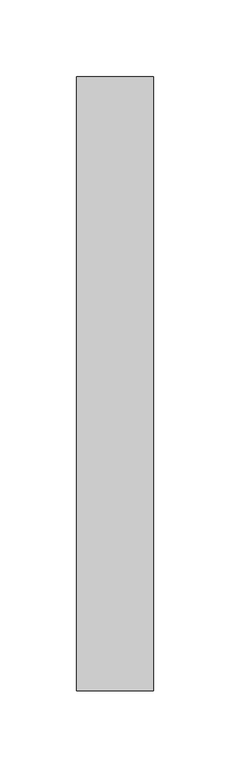
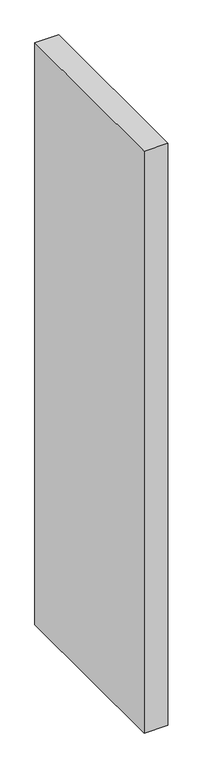
"""IFC4 building model written with IfcOpenShell, lengths in millimetres: proxy geometry."""

from ifc_helpers import new_model, si_unit, origin, origin_with_axes, place, context, project, spatial, polyline, outline, extrude, source, transform, mapped, element, save


def generic_models_060b2b8b(model_context):
    return source(origin(), model_context, "Body", "SweptSolid", [
        extrude(outline(polyline([(0.0, 400.0), (50.0, 400.0), (50.0, 0.0), (0.0, 0.0), (0.0, 400.0)])), origin_with_axes(), (0.0, 0.0, 1.0), 1300.0),
    ])


if __name__ == "__main__":
    model = new_model("IFC4")
    model_context = context("Model", 3, world=origin())
    ifc_project = project(units=[si_unit("LENGTHUNIT", "METRE", prefix="MILLI")], contexts=[model_context])
    site = spatial("IfcSite", under=ifc_project)
    building = spatial("IfcBuilding", under=site)
    placement = place(None, origin())
    generic_models_shape = generic_models_060b2b8b(model_context)
    element("IfcBuildingElementProxy", 1, Name="Generic Models", at=placement, inside=building, context=model_context, shape_type="MappedRepresentation", body=[
        mapped(generic_models_shape, transform((0.0, 0.0, 0.0), x_axis=(1.0, 0.0, 0.0), y_axis=(0.0, 1.0, 0.0), z_axis=(0.0, 0.0, 1.0))),
    ])
    save(model, "model.ifc")
